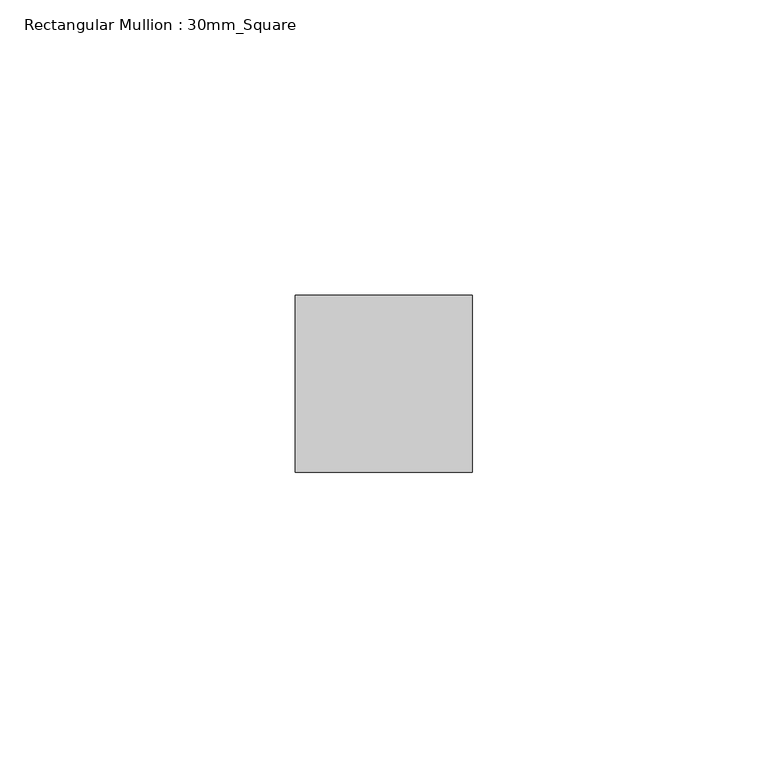
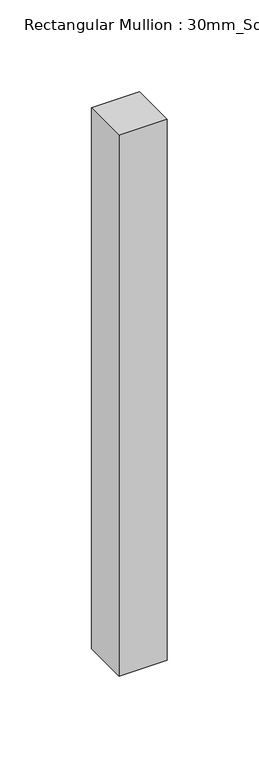
"""IFC4 building model written with IfcOpenShell, lengths in millimetres: member geometry, Rectangular Mullion : 30mm_Square."""

from ifc_helpers import new_model, si_unit, frame, origin, place, context, project, spatial, polyline, outline, extrude, source, transform, mapped, element, save


def rectangular_mullion_30mm_square_22a77583(model_context):
    return source(origin(), model_context, "Body", "SweptSolid", [
        extrude(outline(polyline([(0.0, 15.0), (0.0, -15.0), (-30.0, -15.0), (-30.0, 15.0), (0.0, 15.0)])), frame((0.0, 0.0, -359.2279629), z_axis=(0.0, 0.0, 1.0), x_axis=(1.0, 0.0, 0.0)), (0.0, 0.0, 1.0), 359.2279629),
    ])


if __name__ == "__main__":
    model = new_model("IFC4")
    model_context = context("Model", 3, world=origin())
    ifc_project = project(units=[si_unit("LENGTHUNIT", "METRE", prefix="MILLI")], contexts=[model_context])
    site = spatial("IfcSite", under=ifc_project)
    building = spatial("IfcBuilding", under=site)
    placement = place(None, origin())
    rectangular_mullion_30mm_square_shape = rectangular_mullion_30mm_square_22a77583(model_context)
    element("IfcMember", 1, ObjectType="Rectangular Mullion : 30mm_Square", at=placement, inside=building, context=model_context, shape_type="MappedRepresentation", body=[
        mapped(rectangular_mullion_30mm_square_shape, transform((0.0, 0.0, 0.0), x_axis=(1.0, 0.0, 0.0), y_axis=(0.0, 1.0, 0.0), z_axis=(0.0, 0.0, 1.0))),
    ])
    save(model, "model.ifc")
